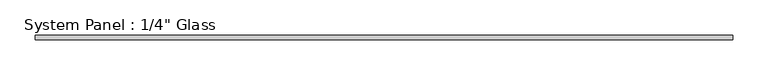
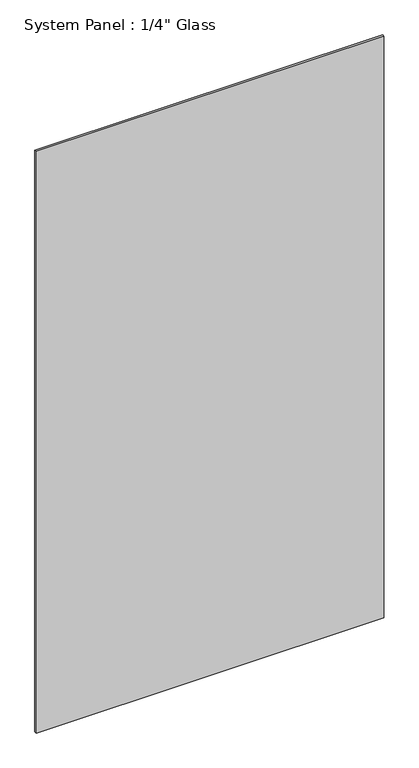
"""IFC4 building model written with IfcOpenShell, lengths in millimetres: plate geometry."""

from ifc_helpers import new_model, si_unit, origin, origin_with_axes, place, context, project, spatial, polyline, outline, extrude, source, transform, mapped, element, save


def plate_f2d9269b(model_context):
    return source(origin(), model_context, "Body", "SweptSolid", [
        extrude(outline(polyline([(491.8508405, -3.175), (-491.8508405, -3.175), (-491.8508405, 3.175), (491.8508405, 3.175), (491.8508405, -3.175)])), origin_with_axes(), (0.0, 0.0, 1.0), 1739.9),
    ])


if __name__ == "__main__":
    model = new_model("IFC4")
    model_context = context("Model", 3, world=origin())
    ifc_project = project(units=[si_unit("LENGTHUNIT", "METRE", prefix="MILLI")], contexts=[model_context])
    site = spatial("IfcSite", under=ifc_project)
    building = spatial("IfcBuilding", under=site)
    placement = place(None, origin())
    plate_shape = plate_f2d9269b(model_context)
    element("IfcPlate", 1, ObjectType="System Panel : 1/4\" Glass", at=placement, inside=building, context=model_context, shape_type="MappedRepresentation", body=[
        mapped(plate_shape, transform((0.0, 0.0, 0.0), x_axis=(1.0, 0.0, 0.0), y_axis=(0.0, 1.0, 0.0), z_axis=(0.0, 0.0, 1.0))),
    ])
    save(model, "model.ifc")
